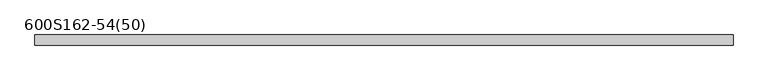
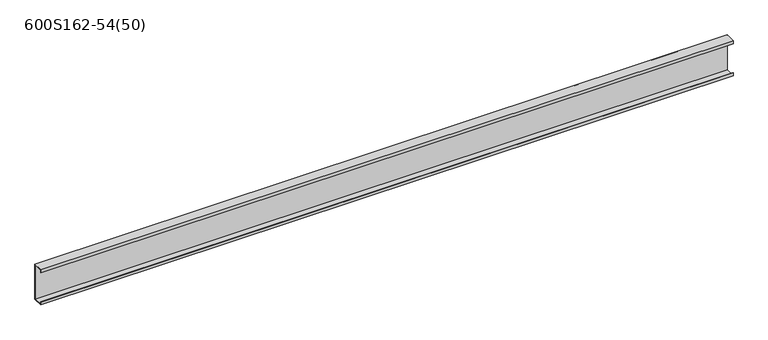
"""IFC4 building model written with IfcOpenShell, lengths in millimetres: member geometry, 600S162-54(50)."""

from ifc_helpers import new_model, si_unit, frame, origin, place, context, project, spatial, polyline, outline, extrude, source, transform, mapped, element, save


def member_600s162_54_50_9001322c(model_context):
    return source(origin(), model_context, "Body", "SweptSolid", [
        extrude(outline(polyline([(20.6375, 76.2), (20.6375, -76.2), (-20.6375, -76.2), (-20.6375, -63.5), (-19.2484375, -63.5), (-19.2484375, -74.8109375), (19.2484375, -74.8109375), (19.2484375, 74.8109375), (-19.2484375, 74.8109375), (-19.2484375, 63.5), (-20.6375, 63.5), (-20.6375, 76.2), (20.6375, 76.2)])), frame((-1425.0, 0.0, 0.0), z_axis=(1.0, 0.0, 0.0), x_axis=(0.0, 1.0, 0.0)), (0.0, 0.0, 1.0), 2850.0),
    ])


if __name__ == "__main__":
    model = new_model("IFC4")
    model_context = context("Model", 3, world=origin())
    ifc_project = project(units=[si_unit("LENGTHUNIT", "METRE", prefix="MILLI")], contexts=[model_context])
    site = spatial("IfcSite", under=ifc_project)
    building = spatial("IfcBuilding", under=site)
    placement = place(None, origin())
    member_600s162_54_50_shape = member_600s162_54_50_9001322c(model_context)
    element("IfcMember", 1, ObjectType="600S162-54(50)", at=placement, inside=building, context=model_context, shape_type="MappedRepresentation", body=[
        mapped(member_600s162_54_50_shape, transform((0.0, 0.0, 0.0), x_axis=(1.0, 0.0, 0.0), y_axis=(0.0, 1.0, 0.0), z_axis=(0.0, 0.0, 1.0))),
    ])
    save(model, "model.ifc")
